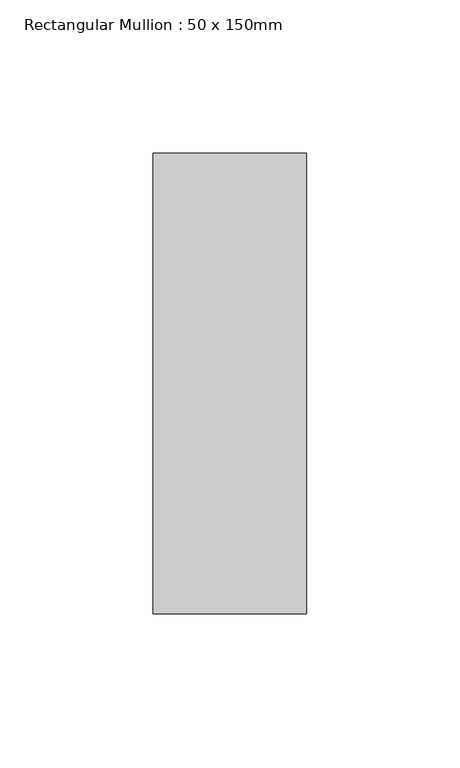
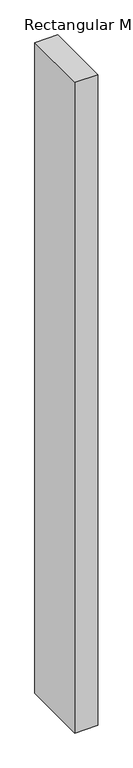
"""IFC4 building model written with IfcOpenShell, lengths in millimetres: member geometry, Rectangular Mullion : 50 x 150mm."""

from ifc_helpers import new_model, si_unit, frame, origin, place, context, project, spatial, polyline, outline, extrude, source, transform, mapped, element, save


def rectangular_mullion_50_x_150mm_d28b9b5b(model_context):
    return source(origin(), model_context, "Body", "SweptSolid", [
        extrude(outline(polyline([(25.0, 75.0), (25.0, -75.0), (-25.0, -75.0), (-25.0, 75.0), (25.0, 75.0)])), frame((0.0, 0.0, -1495.3334645), z_axis=(0.0, 0.0, 1.0), x_axis=(1.0, 0.0, 0.0)), (0.0, 0.0, 1.0), 1495.3334645),
    ])


if __name__ == "__main__":
    model = new_model("IFC4")
    model_context = context("Model", 3, world=origin())
    ifc_project = project(units=[si_unit("LENGTHUNIT", "METRE", prefix="MILLI")], contexts=[model_context])
    site = spatial("IfcSite", under=ifc_project)
    building = spatial("IfcBuilding", under=site)
    placement = place(None, origin())
    rectangular_mullion_50_x_150mm_shape = rectangular_mullion_50_x_150mm_d28b9b5b(model_context)
    element("IfcMember", 1, ObjectType="Rectangular Mullion : 50 x 150mm", at=placement, inside=building, context=model_context, shape_type="MappedRepresentation", body=[
        mapped(rectangular_mullion_50_x_150mm_shape, transform((0.0, 0.0, 0.0), x_axis=(1.0, 0.0, 0.0), y_axis=(0.0, 1.0, 0.0), z_axis=(0.0, 0.0, 1.0))),
    ])
    save(model, "model.ifc")
